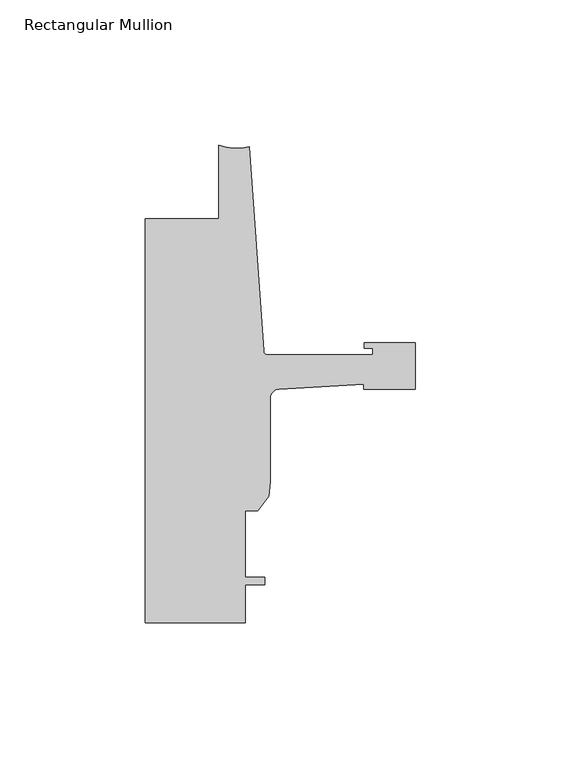
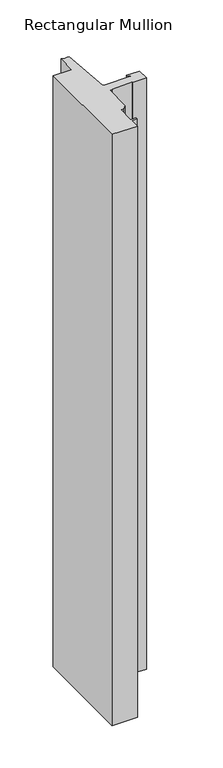
"""IFC4 building model written with IfcOpenShell, lengths in millimetres: member geometry, Rectangular Mullion."""

from ifc_helpers import new_model, si_unit, point, frame, frame_2d, origin, place, context, project, spatial, polyline, circle_curve, trimmed, segment, composite_curve, outline, extrude, source, transform, mapped, element, save


def rectangular_mullion_af982192(model_context):
    return source(origin(), model_context, "Body", "SweptSolid", [
        extrude(outline(composite_curve([segment(polyline([(-17.9118541, -69.7047729), (-47.0897067, -71.4438232)]), True, "CONTINUOUS"), segment(trimmed(circle_curve(frame_2d((-46.9265, -74.6146257)), 3.175), [point((-47.0897067, -71.4438232))], [point((-50.1015, -74.6146257))], True, "CARTESIAN"), True, "CONTINUOUS"), segment(polyline([(-50.1015, -74.6146257), (-50.1015, -103.326113), (-50.5979748, -108.3768653), (-54.4195002, -113.4482008), (-58.7375, -113.4482008), (-58.7375, -136.3082008), (-51.8795003, -136.3082008), (-51.8795003, -138.8482008), (-58.7375, -138.8482008), (-58.7375, -151.892), (-93.2286109, -151.892), (-93.2286109, -12.7004525), (-67.8287241, -12.7004525), (-67.8287241, 12.7)]), True, "CONTINUOUS"), segment(trimmed(circle_curve(frame_2d((-61.5737839, 28.2330799)), 16.7451739), [point((-67.8287241, 12.7))], [point((-57.2987656, 12.042803))], True, "CARTESIAN"), True, "CONTINUOUS"), segment(polyline([(-57.2987656, 12.042803), (-52.3871825, -58.1961089)]), True, "CONTINUOUS"), segment(trimmed(circle_curve(frame_2d((-50.8668948, -58.0898)), 1.524), [point((-52.3871825, -58.1961089))], [point((-50.8668948, -59.6138))], True, "CARTESIAN"), True, "CONTINUOUS"), segment(polyline([(-50.8668948, -59.6138), (-14.783487, -59.6138), (-14.783487, -57.2769999), (-17.6377748, -57.2769999), (-17.6377748, -55.4989999), (0.0, -55.4989999), (0.0, -71.5009998), (-17.9118541, -71.5009998), (-17.9118541, -69.7047729)]), True, "CONTINUOUS")], self_intersect=False)), frame((0.0, 0.0, -850.5615395), z_axis=(0.0, 0.0, 1.0), x_axis=(1.0, 0.0, 0.0)), (0.0, 0.0, 1.0), 850.5615395),
    ])


if __name__ == "__main__":
    model = new_model("IFC4")
    model_context = context("Model", 3, world=origin())
    ifc_project = project(units=[si_unit("LENGTHUNIT", "METRE", prefix="MILLI")], contexts=[model_context])
    site = spatial("IfcSite", under=ifc_project)
    building = spatial("IfcBuilding", under=site)
    placement = place(None, origin())
    rectangular_mullion_shape = rectangular_mullion_af982192(model_context)
    element("IfcMember", 1, ObjectType="Rectangular Mullion", at=placement, inside=building, context=model_context, shape_type="MappedRepresentation", body=[
        mapped(rectangular_mullion_shape, transform((0.0, 0.0, 0.0), x_axis=(1.0, 0.0, 0.0), y_axis=(0.0, 1.0, 0.0), z_axis=(0.0, 0.0, 1.0))),
    ])
    save(model, "model.ifc")
